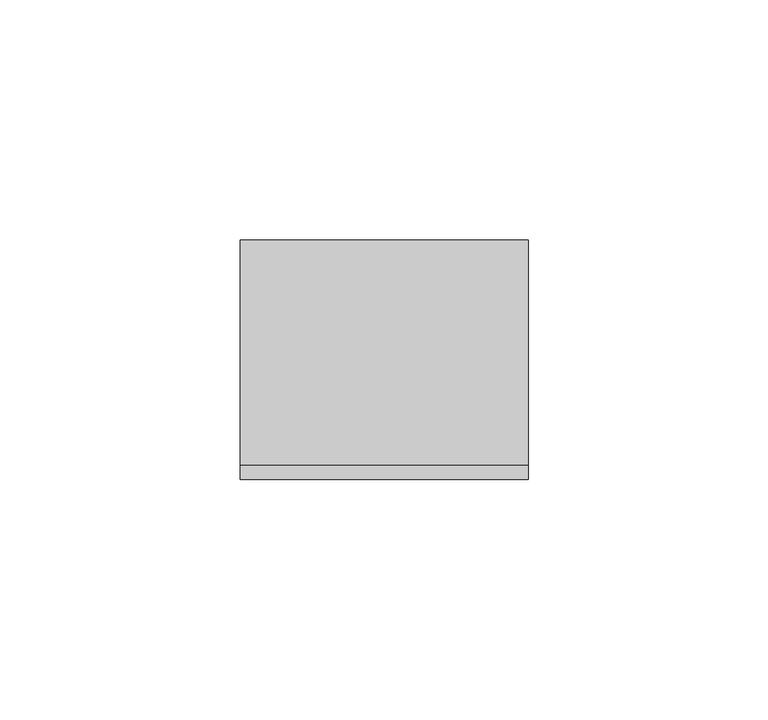
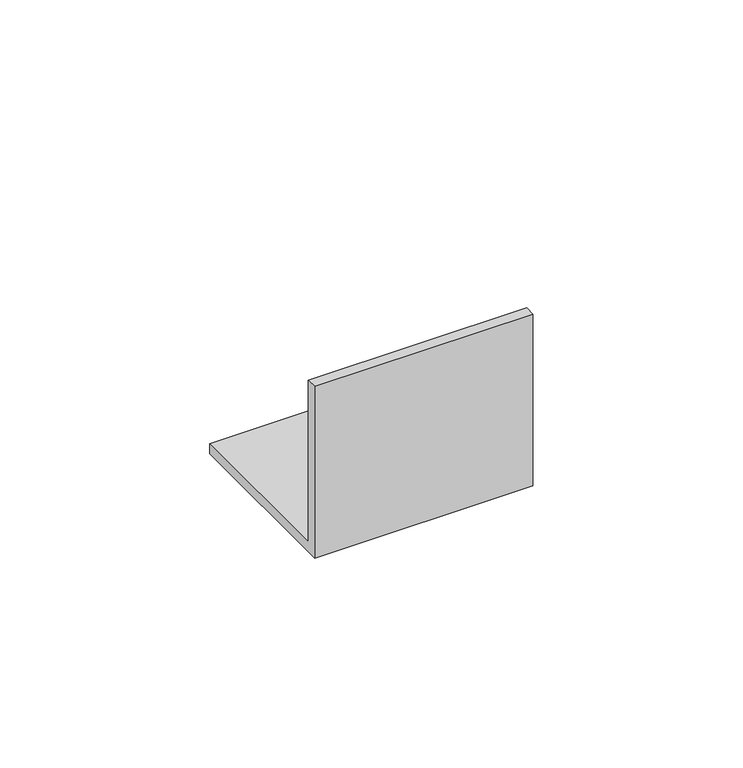
"""IFC4 building model written with IfcOpenShell, lengths in millimetres: proxy geometry."""

from ifc_helpers import new_model, si_unit, frame, origin, place, context, project, spatial, polyline, outline, extrude, source, transform, mapped, element, save


def generic_models_fb3d52db(model_context):
    return source(origin(), model_context, "Body", "SweptSolid", [
        extrude(outline(polyline([(0.0, 0.0), (-50.0, 0.0), (-50.0, 50.0), (-47.0, 50.0), (-47.0, 3.0), (0.0, 3.0), (0.0, 0.0)])), frame((0.0, 0.0, 0.0), z_axis=(1.0, 0.0, 0.0), x_axis=(0.0, 1.0, 0.0)), (0.0, 0.0, 1.0), 60.0),
    ])


if __name__ == "__main__":
    model = new_model("IFC4")
    model_context = context("Model", 3, world=origin())
    ifc_project = project(units=[si_unit("LENGTHUNIT", "METRE", prefix="MILLI")], contexts=[model_context])
    site = spatial("IfcSite", under=ifc_project)
    building = spatial("IfcBuilding", under=site)
    placement = place(None, origin())
    generic_models_shape = generic_models_fb3d52db(model_context)
    element("IfcBuildingElementProxy", 1, Name="Generic Models", at=placement, inside=building, context=model_context, shape_type="MappedRepresentation", body=[
        mapped(generic_models_shape, transform((0.0, 0.0, 0.0), x_axis=(1.0, 0.0, 0.0), y_axis=(0.0, 1.0, 0.0), z_axis=(0.0, 0.0, 1.0))),
    ])
    save(model, "model.ifc")
